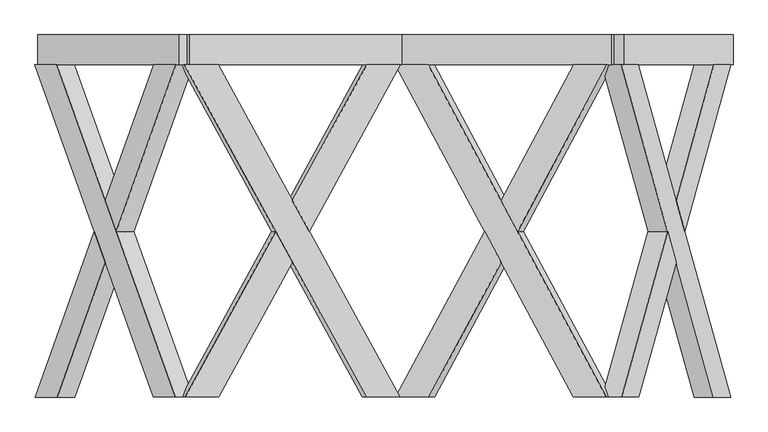
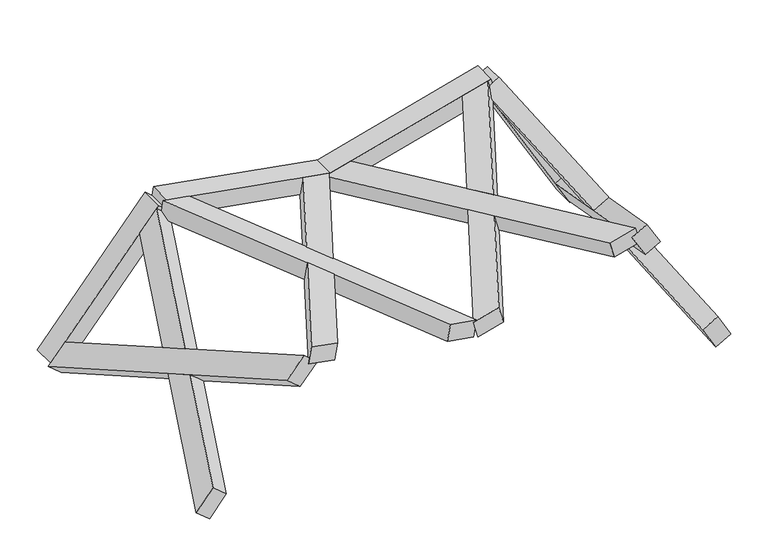
"""IFC4 building model written with IfcOpenShell, lengths in millimetres: proxy geometry."""

from ifc_helpers import new_model, si_unit, frame, origin, place, context, project, spatial, polyline, outline, extrude, faceted_brep, source, transform, mapped, element, save


def generic_models_4bd609e3(model_context):
    return source(origin(), model_context, "Body", "SolidModel", [
        faceted_brep([(4437.5398232, -100.0, -34.788795), (3822.344419, -2319.6837757, 1030.7609016), (3708.0090123, -2319.6837757, 1228.7956352), (4323.2044164, -100.0, 163.2459387), (3837.9128228, -2319.6837757, 1303.7956352), (3952.2482296, -2319.6837757, 1105.7609016), (4201.4928412, -1420.3854116, 674.0565708), (4144.3251378, -1214.1188776, 773.0739376), (4567.4436337, -100.0, 40.211205), (4453.1082269, -100.0, 238.2459387), (4201.4928412, -1007.8523437, 674.0565708), (4258.6605446, -1214.1188776, 575.0392039), (4079.3732325, -1214.1188776, 735.5739376), (4136.5409359, -1007.8523437, 636.5565708), (4193.7086393, -1214.1188776, 537.5392039), (4136.5409359, -1420.3854116, 636.5565708)], [[[0, 1, 2, 3]], [[4, 5, 6, 7]], [[8, 9, 10, 11]], [[0, 3, 9, 8]], [[3, 2, 4, 7, 12, 13, 10, 9]], [[2, 1, 5, 4]], [[1, 0, 8, 11, 14, 15, 6, 5]], [[12, 15, 14, 13]], [[13, 14, 11, 10]], [[15, 12, 7, 6]]]),
        faceted_brep([(3705.6382381, -100.0, 1232.9019365), (3819.9736449, -100.0, 1034.8672028), (4071.5890306, -1007.8523437, 599.0565708), (4014.4213272, -1214.1188776, 698.0739376), (4435.169049, -2319.6837757, -30.6824937), (4320.8336422, -2319.6837757, 167.35224), (4071.5890306, -1420.3854116, 599.0565708), (4128.756734, -1214.1188776, 500.0392039), (3835.5420487, -100.0, 1307.9019365), (4450.7374528, -2319.6837757, 242.35224), (4565.0728596, -2319.6837757, 44.3175063), (3949.8774555, -100.0, 1109.8672028), (4193.7086393, -1214.1188776, 537.5392039), (4136.5409359, -1007.8523437, 636.5565708), (4079.3732325, -1214.1188776, 735.5739376), (4136.5409359, -1420.3854116, 636.5565708)], [[[0, 1, 2, 3]], [[4, 5, 6, 7]], [[8, 9, 10, 11]], [[1, 0, 8, 11]], [[11, 10, 4, 7, 12, 13, 2, 1]], [[5, 4, 10, 9]], [[9, 8, 0, 3, 14, 15, 6, 5]], [[12, 15, 14, 13]], [[13, 14, 3, 2]], [[15, 12, 7, 6]]]),
        extrude(outline(polyline([(148.3871943, 0.0), (348.3871943, 0.0), (348.3871943, -150.0), (148.3871943, -150.0), (148.3871943, 0.0)])), frame((4451.5890306, -248.3871943, -59.1227361), z_axis=(-0.4999999999999983, 0.0, 0.8660254037844396), x_axis=(0.0, 1.0, 0.0)), (0.0, 0.0, 1.0), 1460.0),
        faceted_brep([(3778.8113796, -100.0, 1163.0575115), (2590.3451215, -2319.6837757, 844.6089374), (2369.466077, -2319.6837757, 785.4245758), (3557.9323351, -100.0, 1103.8731499), (2330.6432202, -2319.6837757, 930.3134497), (2551.5222647, -2319.6837757, 989.4978114), (3033.0258796, -1420.3854116, 1118.5163161), (2922.5863573, -1214.1188776, 1088.9241353), (3739.9885229, -100.0, 1307.9463855), (3519.1094783, -100.0, 1248.7620238), (3033.0258796, -1007.8523437, 1118.5163161), (3143.4654018, -1214.1188776, 1148.1084969), (2941.9977857, -1214.1188776, 1016.4796983), (3052.4373079, -1007.8523437, 1046.0718791), (3162.8768302, -1214.1188776, 1075.6640599), (3052.4373079, -1420.3854116, 1046.0718791)], [[[0, 1, 2, 3]], [[4, 5, 6, 7]], [[8, 9, 10, 11]], [[0, 3, 9, 8]], [[3, 2, 4, 7, 12, 13, 10, 9]], [[2, 1, 5, 4]], [[1, 0, 8, 11, 14, 15, 6, 5]], [[12, 15, 14, 13]], [[13, 14, 11, 10]], [[15, 12, 7, 6]]]),
        faceted_brep([(2364.886093, -100.0, 784.1973728), (2585.7651376, -100.0, 843.3817344), (3071.8487363, -1007.8523437, 973.6274422), (2961.4092141, -1214.1188776, 944.0352614), (3774.2313957, -2319.6837757, 1161.8303085), (3553.3523511, -2319.6837757, 1102.6459469), (3071.8487363, -1420.3854116, 973.6274422), (3182.2882586, -1214.1188776, 1003.219623), (2326.0632363, -100.0, 929.0862468), (3514.5294944, -2319.6837757, 1247.5348208), (3735.4085389, -2319.6837757, 1306.7191825), (2546.9422808, -100.0, 988.2706084), (3162.8768302, -1214.1188776, 1075.6640599), (3052.4373079, -1007.8523437, 1046.0718791), (2941.9977857, -1214.1188776, 1016.4796983), (3052.4373079, -1420.3854116, 1046.0718791)], [[[0, 1, 2, 3]], [[4, 5, 6, 7]], [[8, 9, 10, 11]], [[1, 0, 8, 11]], [[11, 10, 4, 7, 12, 13, 2, 1]], [[5, 4, 10, 9]], [[9, 8, 0, 3, 14, 15, 6, 5]], [[12, 15, 14, 13]], [[13, 14, 3, 2]], [[15, 12, 7, 6]]]),
        extrude(outline(polyline([(0.0, -200.0), (0.0, 0.0), (1460.0, 0.0), (1460.0, -200.0), (0.0, -200.0)])), frame((3805.9523643, -100.0, 1170.3299164), z_axis=(-0.25881904510251774, 0.0, 0.9659258262890692), x_axis=(-0.9659258262890692, 0.0, -0.25881904510251774)), (0.0, 0.0, 1.0), 150.0),
        faceted_brep([(2335.5940793, -100.0, 795.9172046), (1123.8956721, -2319.6837757, 1009.5723263), (898.698882, -2319.6837757, 1049.2805964), (2110.3972892, -100.0, 835.6254747), (924.7461087, -2319.6837757, 1197.0017593), (1149.9428988, -2319.6837757, 1157.2934893), (1640.8589506, -1420.3854116, 1070.7317441), (1528.2605555, -1214.1188776, 1090.5858791), (2361.641306, -100.0, 943.6383676), (2136.4445159, -100.0, 983.3466376), (1640.8589506, -1007.8523437, 1070.7317441), (1753.4573456, -1214.1188776, 1050.877609), (1515.2369422, -1214.1188776, 1016.7252976), (1627.8353373, -1007.8523437, 996.8711626), (1740.4337323, -1214.1188776, 977.0170276), (1627.8353373, -1420.3854116, 996.8711626)], [[[0, 1, 2, 3]], [[4, 5, 6, 7]], [[8, 9, 10, 11]], [[0, 3, 9, 8]], [[3, 2, 4, 7, 12, 13, 10, 9]], [[2, 1, 5, 4]], [[1, 0, 8, 11, 14, 15, 6, 5]], [[12, 15, 14, 13]], [[13, 14, 11, 10]], [[15, 12, 7, 6]]]),
        faceted_brep([(894.0293685, -100.0, 1050.1039576), (1119.2261586, -100.0, 1010.3956875), (1614.8117239, -1007.8523437, 923.0105811), (1502.2133289, -1214.1188776, 942.8647161), (2330.9245658, -2319.6837757, 796.7405659), (2105.7277757, -2319.6837757, 836.4488359), (1614.8117239, -1420.3854116, 923.0105811), (1727.410119, -1214.1188776, 903.1564461), (920.0765952, -100.0, 1197.8251205), (2131.7750024, -2319.6837757, 984.1699989), (2356.9717925, -2319.6837757, 944.4617288), (1145.2733853, -100.0, 1158.1168505), (1740.4337323, -1214.1188776, 977.0170276), (1627.8353373, -1007.8523437, 996.8711626), (1515.2369422, -1214.1188776, 1016.7252976), (1627.8353373, -1420.3854116, 996.8711626)], [[[0, 1, 2, 3]], [[4, 5, 6, 7]], [[8, 9, 10, 11]], [[1, 0, 8, 11]], [[11, 10, 4, 7, 12, 13, 2, 1]], [[5, 4, 10, 9]], [[9, 8, 0, 3, 14, 15, 6, 5]], [[12, 15, 14, 13]], [[13, 14, 3, 2]], [[15, 12, 7, 6]]]),
        extrude(outline(polyline([(0.0, -200.0), (0.0, 0.0), (1460.0, 0.0), (1460.0, -200.0), (0.0, -200.0)])), frame((2363.2656162, -100.0, 791.0379661), z_axis=(0.1736481776669302, 0.0, 0.9848077530122082), x_axis=(-0.9848077530122082, 0.0, 0.1736481776669302)), (0.0, 0.0, 1.0), 150.0),
        faceted_brep([(977.8619304, -100.0, 1048.6911816), (186.9819638, -2319.6837757, 106.1571401), (39.9951981, -2319.6837757, -69.014866), (830.8751647, -100.0, 873.5191756), (-74.9114684, -2319.6837757, 27.4032755), (72.0752973, -2319.6837757, 202.5752815), (392.4979935, -1420.3854116, 584.4401809), (319.0046107, -1214.1188776, 496.8541779), (862.9552639, -100.0, 1145.1093231), (715.9684983, -100.0, 969.937317), (392.4979935, -1007.8523437, 584.4401809), (465.9913764, -1214.1188776, 672.0261839), (376.4579439, -1214.1188776, 448.6451072), (449.9513268, -1007.8523437, 536.2311102), (523.4447096, -1214.1188776, 623.8171132), (449.9513268, -1420.3854116, 536.2311102)], [[[0, 1, 2, 3]], [[4, 5, 6, 7]], [[8, 9, 10, 11]], [[0, 3, 9, 8]], [[3, 2, 4, 7, 12, 13, 10, 9]], [[2, 1, 5, 4]], [[1, 0, 8, 11, 14, 15, 6, 5]], [[12, 15, 14, 13]], [[13, 14, 11, 10]], [[15, 12, 7, 6]]]),
        faceted_brep([(36.9473896, -100.0, -72.6471027), (183.9341553, -100.0, 102.5249034), (507.40466, -1007.8523437, 488.0220395), (433.9112772, -1214.1188776, 400.4360364), (974.8141219, -2319.6837757, 1045.0589449), (827.8273562, -2319.6837757, 869.8869388), (507.40466, -1420.3854116, 488.0220395), (580.8980428, -1214.1188776, 575.6080425), (-77.9592768, -100.0, 23.7710388), (712.9206898, -2319.6837757, 966.3050803), (859.9074554, -2319.6837757, 1141.4770863), (69.0274888, -100.0, 198.9430448), (523.4447096, -1214.1188776, 623.8171132), (449.9513268, -1007.8523437, 536.2311102), (376.4579439, -1214.1188776, 448.6451072), (449.9513268, -1420.3854116, 536.2311102)], [[[0, 1, 2, 3]], [[4, 5, 6, 7]], [[8, 9, 10, 11]], [[1, 0, 8, 11]], [[11, 10, 4, 7, 12, 13, 2, 1]], [[5, 4, 10, 9]], [[9, 8, 0, 3, 14, 15, 6, 5]], [[12, 15, 14, 13]], [[13, 14, 3, 2]], [[15, 12, 7, 6]]]),
        extrude(outline(polyline([(-148.3871943, 0.0), (-148.3871943, -149.9999999), (-348.3871943, -149.9999999), (-348.3871943, 0.0), (-148.3871943, 0.0)])), frame((57.4533332, -248.3871943, -48.2090707), z_axis=(0.6427876096865401, 0.0, 0.7660444431189775), x_axis=(0.0, -1.0, 0.0)), (0.0, 0.0, 1.0), 1460.0),
    ])


if __name__ == "__main__":
    model = new_model("IFC4")
    model_context = context("Model", 3, world=origin())
    ifc_project = project(units=[si_unit("LENGTHUNIT", "METRE", prefix="MILLI")], contexts=[model_context])
    site = spatial("IfcSite", under=ifc_project)
    building = spatial("IfcBuilding", under=site)
    placement = place(None, origin())
    generic_models_shape = generic_models_4bd609e3(model_context)
    element("IfcBuildingElementProxy", 1, Name="Generic Models", at=placement, inside=building, context=model_context, shape_type="MappedRepresentation", body=[
        mapped(generic_models_shape, transform((0.0, 0.0, 0.0), x_axis=(1.0, 0.0, 0.0), y_axis=(0.0, 1.0, 0.0), z_axis=(0.0, 0.0, 1.0))),
    ])
    save(model, "model.ifc")
